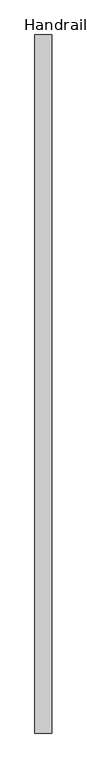
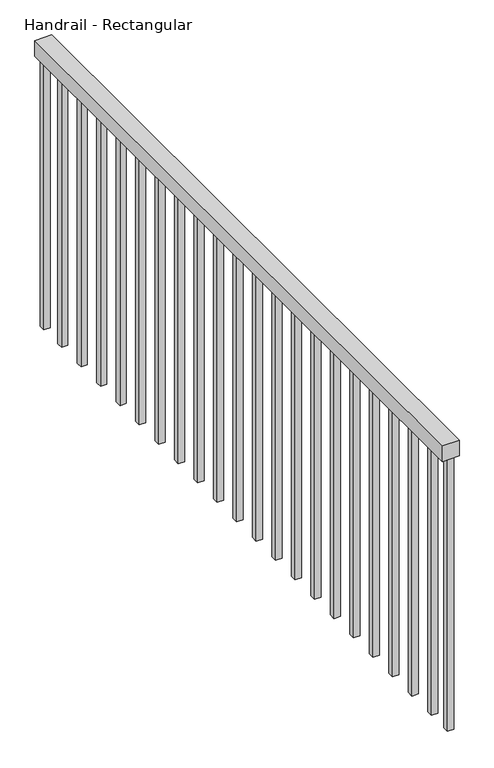
"""IFC4 building model written with IfcOpenShell, lengths in millimetres: railing geometry, Handrail - Rectangular."""

import ifcopenshell
import ifcopenshell.guid

model = None  # the IFC model being written
_history = None  # IfcOwnerHistory: only IFC2X3 demands one
_inside = {}  # id of a spatial element -> (the spatial element, [elements in it])
_under = {}  # id of a project, library or spatial element -> (it, [spatial elements below it])
_declared = {}  # id of a project -> (the project, [libraries it declares])
_typed = {}  # id of a type object -> (the type object, [elements of that type])
_made_of = {}  # id of a material, layer set ... -> (it, [elements and type objects made of it])


def new_model(schema):
    """Start an empty IFC model of exactly this schema.

    Asked for "IFC4X3", IfcOpenShell would pick the latest addendum, in which some entities
    have other attributes; the version numbers below select the first issue.
    IFC2X3 requires an IfcOwnerHistory on every rooted entity: one is made here for all.
    """
    global model, _history
    if schema == "IFC4X3":
        model = ifcopenshell.file(schema_version=(4, 3, 0, 0))
    else:
        model = ifcopenshell.file(schema=schema)
    _inside.clear()
    _under.clear()
    _declared.clear()
    _typed.clear()
    _made_of.clear()
    _history = None
    if model.schema == "IFC2X3":
        org = make("IfcOrganization", Name="unknown")
        user = make(
            "IfcPersonAndOrganization",
            ThePerson=make("IfcPerson", FamilyName="unknown"),
            TheOrganization=org,
        )
        app = make(
            "IfcApplication",
            ApplicationDeveloper=org,
            Version="unknown",
            ApplicationFullName="unknown",
            ApplicationIdentifier="unknown",
        )
        _history = make(
            "IfcOwnerHistory",
            OwningUser=user,
            OwningApplication=app,
            ChangeAction="ADDED",
            CreationDate=0,
        )
    return model


def make(cls, **values):
    """One entity of the class cls with the attributes given. An attribute that is None is left unset."""
    return model.create_entity(
        cls, **{name: value for name, value in values.items() if value is not None}
    )


def rooted(cls, **values):
    """An entity with a GlobalId (a new one), such as an element, a storey or a relation."""
    return make(cls, GlobalId=ifcopenshell.guid.new(), OwnerHistory=_history, **values)


def si_unit(unit_type, name, prefix=None):
    """IfcSIUnit, for example si_unit("LENGTHUNIT", "METRE", prefix="MILLI")."""
    return make("IfcSIUnit", UnitType=unit_type, Prefix=prefix, Name=name)


def assignment(units):
    """IfcUnitAssignment: the units of a project."""
    return None if units is None else make("IfcUnitAssignment", Units=units)


def point(xyz):
    """IfcCartesianPoint."""
    return None if xyz is None else make("IfcCartesianPoint", Coordinates=xyz)


def direction(xyz):
    """IfcDirection."""
    return None if xyz is None else make("IfcDirection", DirectionRatios=xyz)


def frame(location, z_axis=None, x_axis=None):
    """IfcAxis2Placement3D, a coordinate frame: its origin and axes. An axis left out is left unset."""
    return make(
        "IfcAxis2Placement3D",
        Location=point(location),
        Axis=direction(z_axis),
        RefDirection=direction(x_axis),
    )


def origin():
    """The frame at (0, 0, 0) with its axes left unset."""
    return frame((0.0, 0.0, 0.0))


def place(relative_to, where):
    """IfcLocalPlacement: puts the frame where relative to a parent placement (None: the world)."""
    return make(
        "IfcLocalPlacement", PlacementRelTo=relative_to, RelativePlacement=where
    )


def context(
    kind, dimensions, precision=None, world=None, true_north=None, identifier=None
):
    """IfcGeometricRepresentationContext, for example the 3D "Model" context."""
    return make(
        "IfcGeometricRepresentationContext",
        ContextIdentifier=identifier,
        ContextType=kind,
        CoordinateSpaceDimension=dimensions,
        Precision=precision,
        WorldCoordinateSystem=world,
        TrueNorth=true_north,
    )


def project(units=None, contexts=None):
    """IfcProject with its units and contexts."""
    return rooted(
        "IfcProject",
        Name="project",
        RepresentationContexts=contexts,
        UnitsInContext=assignment(units),
    )


def spatial(cls, under=None, at=None, **own):
    """A site, building, storey or space (cls), placed at a placement, below another one or the project."""
    s = rooted(cls, ObjectPlacement=at, **own)
    if under is not None:
        _under.setdefault(under.id(), (under, []))[1].append(s)
    return s


def polyline(points):
    """IfcPolyline through the points."""
    return make("IfcPolyline", Points=[point(p) for p in points])


def outline(outer, holes=None, kind="AREA"):
    """IfcArbitraryClosedProfileDef: a profile drawn as a closed curve; with holes, ...WithVoids."""
    if holes is None:
        return make("IfcArbitraryClosedProfileDef", ProfileType=kind, OuterCurve=outer)
    return make(
        "IfcArbitraryProfileDefWithVoids",
        ProfileType=kind,
        OuterCurve=outer,
        InnerCurves=holes,
    )


def extrude(swept, where, along, depth):
    """IfcExtrudedAreaSolid: the profile swept, set in the frame where, extruded along a direction by depth."""
    return make(
        "IfcExtrudedAreaSolid",
        SweptArea=swept,
        Position=where,
        ExtrudedDirection=direction(along),
        Depth=depth,
    )


def shape(context_of_items, identifier, shape_type, items):
    """IfcShapeRepresentation: the items that make up one representation, for example the "Body"."""
    return make(
        "IfcShapeRepresentation",
        ContextOfItems=context_of_items,
        RepresentationIdentifier=identifier,
        RepresentationType=shape_type,
        Items=items,
    )


def source(mapping_origin, context_of_items, identifier, shape_type, items):
    """IfcRepresentationMap: a shape defined once, which mapped items show again and again."""
    return make(
        "IfcRepresentationMap",
        MappingOrigin=mapping_origin,
        MappedRepresentation=shape(context_of_items, identifier, shape_type, items),
    )


def transform(
    local_origin,
    x_axis=None,
    y_axis=None,
    z_axis=None,
    scale=None,
    scale2=None,
    scale3=None,
    uniform=True,
):
    """IfcCartesianTransformationOperator3D, or its non-uniform kind. x_axis, y_axis, z_axis: its Axis1, 2, 3."""
    if uniform:
        return make(
            "IfcCartesianTransformationOperator3D",
            Axis1=direction(x_axis),
            Axis2=direction(y_axis),
            LocalOrigin=point(local_origin),
            Scale=scale,
            Axis3=direction(z_axis),
        )
    return make(
        "IfcCartesianTransformationOperator3DnonUniform",
        Axis1=direction(x_axis),
        Axis2=direction(y_axis),
        LocalOrigin=point(local_origin),
        Scale=scale,
        Axis3=direction(z_axis),
        Scale2=scale2,
        Scale3=scale3,
    )


def mapped(mapping_source, mapping_target):
    """IfcMappedItem: shows the shape of a source again, moved by a transform."""
    return make(
        "IfcMappedItem", MappingSource=mapping_source, MappingTarget=mapping_target
    )


def made_of(thing, what):
    """Note that an element or type object is made of a material, layer set ...; save() writes the relation."""
    if what is not None:
        _made_of.setdefault(what.id(), (what, []))[1].append(thing)
    return thing


def element(
    cls,
    number,
    at=None,
    inside=None,
    cuts=None,
    type_object=None,
    material=None,
    context=None,
    identifier="Body",
    shape_type=None,
    held_by="IfcProductDefinitionShape",
    body=None,
    shapes=None,
    **own,
):
    """One element of the class cls, such as IfcWall. Its Tag is "e" and its number.

    at: its placement. inside: the storey or other place that contains it. cuts: it is an
    opening in that element (IfcRelVoidsElement). A single representation is given by context,
    identifier, shape_type and body (its items); several are given by shapes. held_by: the class
    of the entity that holds the representations. save() writes the other relations.
    """
    e = rooted(cls, Tag="e%d" % number, ObjectPlacement=at, **own)
    if body is not None:
        shapes = [shape(context, identifier, shape_type, body)]
    if shapes is not None:
        e.Representation = make(held_by, Representations=shapes)
    if inside is not None:
        _inside.setdefault(inside.id(), (inside, []))[1].append(e)
    if cuts is not None:
        rooted(
            "IfcRelVoidsElement", RelatingBuildingElement=cuts, RelatedOpeningElement=e
        )
    if type_object is not None:
        _typed.setdefault(type_object.id(), (type_object, []))[1].append(e)
    return made_of(e, material)


def aggregate(whole, parts):
    """IfcRelAggregates: a whole, such as a stair, and the parts it consists of."""
    return rooted("IfcRelAggregates", RelatingObject=whole, RelatedObjects=parts)


def save(model, path):
    """Write the relations noted so far, then the file.

    IfcRelAggregates (storeys below a building ...), IfcRelContainedInSpatialStructure (elements
    in a storey), IfcRelDefinesByType, IfcRelAssociatesMaterial and IfcRelDeclares: one each for
    every whole, place, type object, material and project.
    """
    for whole, parts in _under.values():
        aggregate(whole, parts)
    for where, things in _inside.values():
        rooted(
            "IfcRelContainedInSpatialStructure",
            RelatedElements=things,
            RelatingStructure=where,
        )
    for kind, things in _typed.values():
        rooted("IfcRelDefinesByType", RelatedObjects=things, RelatingType=kind)
    for what, things in _made_of.values():
        rooted("IfcRelAssociatesMaterial", RelatedObjects=things, RelatingMaterial=what)
    for by, libraries in _declared.values():
        rooted("IfcRelDeclares", RelatingContext=by, RelatedDefinitions=libraries)
    model.write(path)


def handrail_rectangular_6cf762ca(model_context):
    return source(origin(), model_context, "Body", "SweptSolid", [
        extrude(outline(polyline([(-6852.1924997, -600.0529843), (-6801.3924997, -600.0529843), (-6801.3924997, -2725.0529843), (-6852.1924997, -2725.0529843), (-6852.1924997, -600.0529843)])), frame((0.0, 0.0, 1263.6), z_axis=(0.0, 0.0, 1.0), x_axis=(1.0, 0.0, 0.0)), (0.0, 0.0, 1.0), 50.8),
        extrude(outline(polyline([(-6836.3174997, -2622.5279843), (-6817.2674997, -2622.5279843), (-6817.2674997, -2641.5779843), (-6836.3174997, -2641.5779843), (-6836.3174997, -2622.5279843)])), frame((0.0, 0.0, 400.0), z_axis=(0.0, 0.0, 1.0), x_axis=(1.0, 0.0, 0.0)), (0.0, 0.0, 1.0), 863.6),
        extrude(outline(polyline([(-6836.3174997, -2520.9279843), (-6817.2674997, -2520.9279843), (-6817.2674997, -2539.9779843), (-6836.3174997, -2539.9779843), (-6836.3174997, -2520.9279843)])), frame((0.0, 0.0, 400.0), z_axis=(0.0, 0.0, 1.0), x_axis=(1.0, 0.0, 0.0)), (0.0, 0.0, 1.0), 863.6),
        extrude(outline(polyline([(-6836.3174997, -2419.3279843), (-6817.2674997, -2419.3279843), (-6817.2674997, -2438.3779843), (-6836.3174997, -2438.3779843), (-6836.3174997, -2419.3279843)])), frame((0.0, 0.0, 400.0), z_axis=(0.0, 0.0, 1.0), x_axis=(1.0, 0.0, 0.0)), (0.0, 0.0, 1.0), 863.6),
        extrude(outline(polyline([(-6836.3174997, -2317.7279843), (-6817.2674997, -2317.7279843), (-6817.2674997, -2336.7779843), (-6836.3174997, -2336.7779843), (-6836.3174997, -2317.7279843)])), frame((0.0, 0.0, 400.0), z_axis=(0.0, 0.0, 1.0), x_axis=(1.0, 0.0, 0.0)), (0.0, 0.0, 1.0), 863.6),
        extrude(outline(polyline([(-6836.3174997, -2216.1279843), (-6817.2674997, -2216.1279843), (-6817.2674997, -2235.1779843), (-6836.3174997, -2235.1779843), (-6836.3174997, -2216.1279843)])), frame((0.0, 0.0, 400.0), z_axis=(0.0, 0.0, 1.0), x_axis=(1.0, 0.0, 0.0)), (0.0, 0.0, 1.0), 863.6),
        extrude(outline(polyline([(-6836.3174997, -2114.5279843), (-6817.2674997, -2114.5279843), (-6817.2674997, -2133.5779843), (-6836.3174997, -2133.5779843), (-6836.3174997, -2114.5279843)])), frame((0.0, 0.0, 400.0), z_axis=(0.0, 0.0, 1.0), x_axis=(1.0, 0.0, 0.0)), (0.0, 0.0, 1.0), 863.6),
        extrude(outline(polyline([(-6836.3174997, -2012.9279843), (-6817.2674997, -2012.9279843), (-6817.2674997, -2031.9779843), (-6836.3174997, -2031.9779843), (-6836.3174997, -2012.9279843)])), frame((0.0, 0.0, 400.0), z_axis=(0.0, 0.0, 1.0), x_axis=(1.0, 0.0, 0.0)), (0.0, 0.0, 1.0), 863.6),
        extrude(outline(polyline([(-6836.3174997, -1911.3279843), (-6817.2674997, -1911.3279843), (-6817.2674997, -1930.3779843), (-6836.3174997, -1930.3779843), (-6836.3174997, -1911.3279843)])), frame((0.0, 0.0, 400.0), z_axis=(0.0, 0.0, 1.0), x_axis=(1.0, 0.0, 0.0)), (0.0, 0.0, 1.0), 863.6),
        extrude(outline(polyline([(-6836.3174997, -1809.7279843), (-6817.2674997, -1809.7279843), (-6817.2674997, -1828.7779843), (-6836.3174997, -1828.7779843), (-6836.3174997, -1809.7279843)])), frame((0.0, 0.0, 400.0), z_axis=(0.0, 0.0, 1.0), x_axis=(1.0, 0.0, 0.0)), (0.0, 0.0, 1.0), 863.6),
        extrude(outline(polyline([(-6836.3174997, -1708.1279843), (-6817.2674997, -1708.1279843), (-6817.2674997, -1727.1779843), (-6836.3174997, -1727.1779843), (-6836.3174997, -1708.1279843)])), frame((0.0, 0.0, 400.0), z_axis=(0.0, 0.0, 1.0), x_axis=(1.0, 0.0, 0.0)), (0.0, 0.0, 1.0), 863.6),
        extrude(outline(polyline([(-6836.3174997, -1606.5279843), (-6817.2674997, -1606.5279843), (-6817.2674997, -1625.5779843), (-6836.3174997, -1625.5779843), (-6836.3174997, -1606.5279843)])), frame((0.0, 0.0, 400.0), z_axis=(0.0, 0.0, 1.0), x_axis=(1.0, 0.0, 0.0)), (0.0, 0.0, 1.0), 863.6),
        extrude(outline(polyline([(-6836.3174997, -1504.9279843), (-6817.2674997, -1504.9279843), (-6817.2674997, -1523.9779843), (-6836.3174997, -1523.9779843), (-6836.3174997, -1504.9279843)])), frame((0.0, 0.0, 400.0), z_axis=(0.0, 0.0, 1.0), x_axis=(1.0, 0.0, 0.0)), (0.0, 0.0, 1.0), 863.6),
        extrude(outline(polyline([(-6836.3174997, -1403.3279843), (-6817.2674997, -1403.3279843), (-6817.2674997, -1422.3779843), (-6836.3174997, -1422.3779843), (-6836.3174997, -1403.3279843)])), frame((0.0, 0.0, 400.0), z_axis=(0.0, 0.0, 1.0), x_axis=(1.0, 0.0, 0.0)), (0.0, 0.0, 1.0), 863.6),
        extrude(outline(polyline([(-6836.3174997, -1301.7279843), (-6817.2674997, -1301.7279843), (-6817.2674997, -1320.7779843), (-6836.3174997, -1320.7779843), (-6836.3174997, -1301.7279843)])), frame((0.0, 0.0, 400.0), z_axis=(0.0, 0.0, 1.0), x_axis=(1.0, 0.0, 0.0)), (0.0, 0.0, 1.0), 863.6),
        extrude(outline(polyline([(-6836.3174997, -1200.1279843), (-6817.2674997, -1200.1279843), (-6817.2674997, -1219.1779843), (-6836.3174997, -1219.1779843), (-6836.3174997, -1200.1279843)])), frame((0.0, 0.0, 400.0), z_axis=(0.0, 0.0, 1.0), x_axis=(1.0, 0.0, 0.0)), (0.0, 0.0, 1.0), 863.6),
        extrude(outline(polyline([(-6836.3174997, -1098.5279843), (-6817.2674997, -1098.5279843), (-6817.2674997, -1117.5779843), (-6836.3174997, -1117.5779843), (-6836.3174997, -1098.5279843)])), frame((0.0, 0.0, 400.0), z_axis=(0.0, 0.0, 1.0), x_axis=(1.0, 0.0, 0.0)), (0.0, 0.0, 1.0), 863.6),
        extrude(outline(polyline([(-6836.3174997, -996.9279843), (-6817.2674997, -996.9279843), (-6817.2674997, -1015.9779843), (-6836.3174997, -1015.9779843), (-6836.3174997, -996.9279843)])), frame((0.0, 0.0, 400.0), z_axis=(0.0, 0.0, 1.0), x_axis=(1.0, 0.0, 0.0)), (0.0, 0.0, 1.0), 863.6),
        extrude(outline(polyline([(-6836.3174997, -895.3279843), (-6817.2674997, -895.3279843), (-6817.2674997, -914.3779843), (-6836.3174997, -914.3779843), (-6836.3174997, -895.3279843)])), frame((0.0, 0.0, 400.0), z_axis=(0.0, 0.0, 1.0), x_axis=(1.0, 0.0, 0.0)), (0.0, 0.0, 1.0), 863.6),
        extrude(outline(polyline([(-6836.3174997, -793.7279843), (-6817.2674997, -793.7279843), (-6817.2674997, -812.7779843), (-6836.3174997, -812.7779843), (-6836.3174997, -793.7279843)])), frame((0.0, 0.0, 400.0), z_axis=(0.0, 0.0, 1.0), x_axis=(1.0, 0.0, 0.0)), (0.0, 0.0, 1.0), 863.6),
        extrude(outline(polyline([(-6836.3174997, -692.1279843), (-6817.2674997, -692.1279843), (-6817.2674997, -711.1779843), (-6836.3174997, -711.1779843), (-6836.3174997, -692.1279843)])), frame((0.0, 0.0, 400.0), z_axis=(0.0, 0.0, 1.0), x_axis=(1.0, 0.0, 0.0)), (0.0, 0.0, 1.0), 863.6),
        extrude(outline(polyline([(-6836.3174997, -2706.0029843), (-6817.2674997, -2706.0029843), (-6817.2674997, -2725.0529843), (-6836.3174997, -2725.0529843), (-6836.3174997, -2706.0029843)])), frame((0.0, 0.0, 400.0), z_axis=(0.0, 0.0, 1.0), x_axis=(1.0, 0.0, 0.0)), (0.0, 0.0, 1.0), 863.6),
        extrude(outline(polyline([(-6836.3174997, -600.0529843), (-6817.2674997, -600.0529843), (-6817.2674997, -619.1029843), (-6836.3174997, -619.1029843), (-6836.3174997, -600.0529843)])), frame((0.0, 0.0, 400.0), z_axis=(0.0, 0.0, 1.0), x_axis=(1.0, 0.0, 0.0)), (0.0, 0.0, 1.0), 863.6),
    ])


if __name__ == "__main__":
    model = new_model("IFC4")
    model_context = context("Model", 3, world=origin())
    ifc_project = project(units=[si_unit("LENGTHUNIT", "METRE", prefix="MILLI")], contexts=[model_context])
    site = spatial("IfcSite", under=ifc_project)
    building = spatial("IfcBuilding", under=site)
    placement = place(None, origin())
    handrail_rectangular_shape = handrail_rectangular_6cf762ca(model_context)
    element("IfcRailing", 1, ObjectType="Handrail - Rectangular", at=placement, inside=building, context=model_context, shape_type="MappedRepresentation", body=[
        mapped(handrail_rectangular_shape, transform((0.0, 0.0, 0.0), x_axis=(1.0, 0.0, 0.0), y_axis=(0.0, 1.0, 0.0), z_axis=(0.0, 0.0, 1.0))),
    ])
    save(model, "model.ifc")
